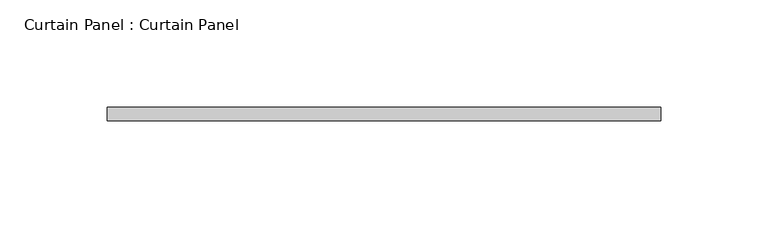
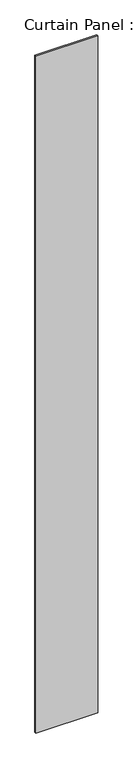
"""IFC4 building model written with IfcOpenShell, lengths in millimetres: plate geometry, Curtain Panel : Curtain Panel."""

from ifc_helpers import new_model, si_unit, origin, origin_with_axes, place, context, project, spatial, polyline, outline, extrude, source, transform, mapped, element, save


def curtain_panel_curtain_panel_f06006d2(model_context):
    return source(origin(), model_context, "Body", "SweptSolid", [
        extrude(outline(polyline([(334486.2882494, 1464.5539638), (334745.0507494, 1464.5539638), (334745.0507494, 1458.2039638), (334486.2882494, 1458.2039638), (334486.2882494, 1464.5539638)])), origin_with_axes(), (0.0, 0.0, 1.0), 2987.3304783),
    ])


if __name__ == "__main__":
    model = new_model("IFC4")
    model_context = context("Model", 3, world=origin())
    ifc_project = project(units=[si_unit("LENGTHUNIT", "METRE", prefix="MILLI")], contexts=[model_context])
    site = spatial("IfcSite", under=ifc_project)
    building = spatial("IfcBuilding", under=site)
    placement = place(None, origin())
    curtain_panel_curtain_panel_shape = curtain_panel_curtain_panel_f06006d2(model_context)
    element("IfcPlate", 1, ObjectType="Curtain Panel : Curtain Panel", at=placement, inside=building, context=model_context, shape_type="MappedRepresentation", body=[
        mapped(curtain_panel_curtain_panel_shape, transform((0.0, 0.0, 0.0), x_axis=(1.0, 0.0, 0.0), y_axis=(0.0, 1.0, 0.0), z_axis=(0.0, 0.0, 1.0))),
    ])
    save(model, "model.ifc")
